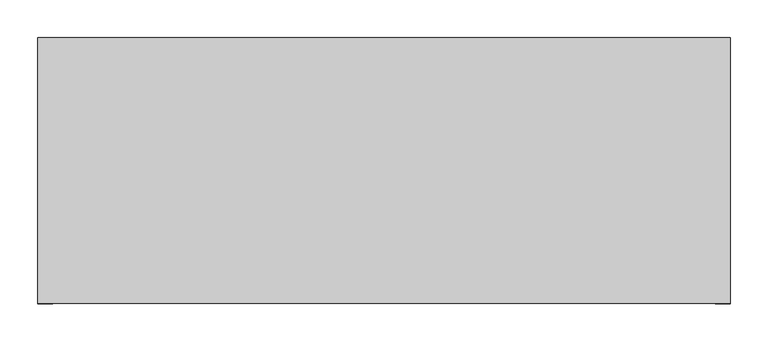
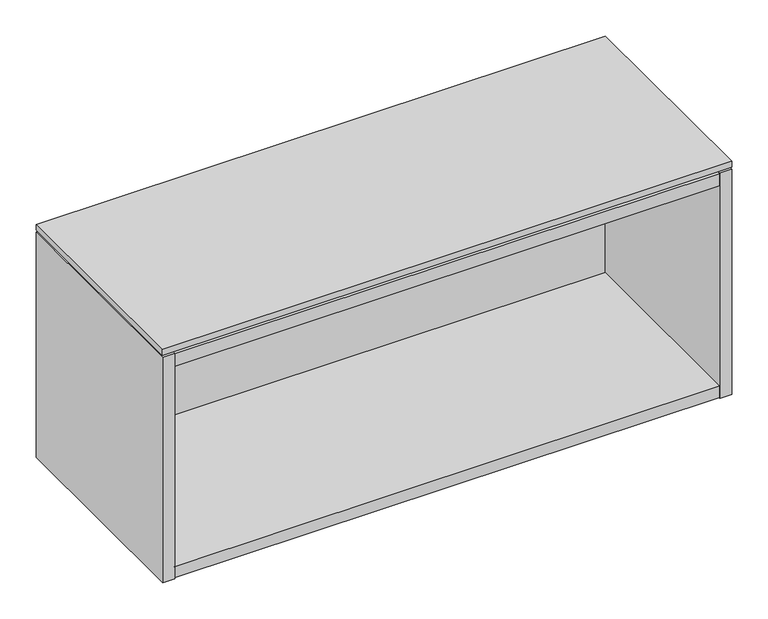
"""IFC4 building model written with IfcOpenShell, lengths in millimetres: furniture geometry."""

import ifcopenshell
import ifcopenshell.guid

model = None  # the IFC model being written
_history = None  # IfcOwnerHistory: only IFC2X3 demands one
_inside = {}  # id of a spatial element -> (the spatial element, [elements in it])
_under = {}  # id of a project, library or spatial element -> (it, [spatial elements below it])
_declared = {}  # id of a project -> (the project, [libraries it declares])
_typed = {}  # id of a type object -> (the type object, [elements of that type])
_made_of = {}  # id of a material, layer set ... -> (it, [elements and type objects made of it])


def new_model(schema):
    """Start an empty IFC model of exactly this schema.

    Asked for "IFC4X3", IfcOpenShell would pick the latest addendum, in which some entities
    have other attributes; the version numbers below select the first issue.
    IFC2X3 requires an IfcOwnerHistory on every rooted entity: one is made here for all.
    """
    global model, _history
    if schema == "IFC4X3":
        model = ifcopenshell.file(schema_version=(4, 3, 0, 0))
    else:
        model = ifcopenshell.file(schema=schema)
    _inside.clear()
    _under.clear()
    _declared.clear()
    _typed.clear()
    _made_of.clear()
    _history = None
    if model.schema == "IFC2X3":
        org = make("IfcOrganization", Name="unknown")
        user = make(
            "IfcPersonAndOrganization",
            ThePerson=make("IfcPerson", FamilyName="unknown"),
            TheOrganization=org,
        )
        app = make(
            "IfcApplication",
            ApplicationDeveloper=org,
            Version="unknown",
            ApplicationFullName="unknown",
            ApplicationIdentifier="unknown",
        )
        _history = make(
            "IfcOwnerHistory",
            OwningUser=user,
            OwningApplication=app,
            ChangeAction="ADDED",
            CreationDate=0,
        )
    return model


def make(cls, **values):
    """One entity of the class cls with the attributes given. An attribute that is None is left unset."""
    return model.create_entity(
        cls, **{name: value for name, value in values.items() if value is not None}
    )


def rooted(cls, **values):
    """An entity with a GlobalId (a new one), such as an element, a storey or a relation."""
    return make(cls, GlobalId=ifcopenshell.guid.new(), OwnerHistory=_history, **values)


def si_unit(unit_type, name, prefix=None):
    """IfcSIUnit, for example si_unit("LENGTHUNIT", "METRE", prefix="MILLI")."""
    return make("IfcSIUnit", UnitType=unit_type, Prefix=prefix, Name=name)


def assignment(units):
    """IfcUnitAssignment: the units of a project."""
    return None if units is None else make("IfcUnitAssignment", Units=units)


def point(xyz):
    """IfcCartesianPoint."""
    return None if xyz is None else make("IfcCartesianPoint", Coordinates=xyz)


def direction(xyz):
    """IfcDirection."""
    return None if xyz is None else make("IfcDirection", DirectionRatios=xyz)


def frame(location, z_axis=None, x_axis=None):
    """IfcAxis2Placement3D, a coordinate frame: its origin and axes. An axis left out is left unset."""
    return make(
        "IfcAxis2Placement3D",
        Location=point(location),
        Axis=direction(z_axis),
        RefDirection=direction(x_axis),
    )


def origin():
    """The frame at (0, 0, 0) with its axes left unset."""
    return frame((0.0, 0.0, 0.0))


def place(relative_to, where):
    """IfcLocalPlacement: puts the frame where relative to a parent placement (None: the world)."""
    return make(
        "IfcLocalPlacement", PlacementRelTo=relative_to, RelativePlacement=where
    )


def context(
    kind, dimensions, precision=None, world=None, true_north=None, identifier=None
):
    """IfcGeometricRepresentationContext, for example the 3D "Model" context."""
    return make(
        "IfcGeometricRepresentationContext",
        ContextIdentifier=identifier,
        ContextType=kind,
        CoordinateSpaceDimension=dimensions,
        Precision=precision,
        WorldCoordinateSystem=world,
        TrueNorth=true_north,
    )


def project(units=None, contexts=None):
    """IfcProject with its units and contexts."""
    return rooted(
        "IfcProject",
        Name="project",
        RepresentationContexts=contexts,
        UnitsInContext=assignment(units),
    )


def spatial(cls, under=None, at=None, **own):
    """A site, building, storey or space (cls), placed at a placement, below another one or the project."""
    s = rooted(cls, ObjectPlacement=at, **own)
    if under is not None:
        _under.setdefault(under.id(), (under, []))[1].append(s)
    return s


def polyline(points):
    """IfcPolyline through the points."""
    return make("IfcPolyline", Points=[point(p) for p in points])


def outline(outer, holes=None, kind="AREA"):
    """IfcArbitraryClosedProfileDef: a profile drawn as a closed curve; with holes, ...WithVoids."""
    if holes is None:
        return make("IfcArbitraryClosedProfileDef", ProfileType=kind, OuterCurve=outer)
    return make(
        "IfcArbitraryProfileDefWithVoids",
        ProfileType=kind,
        OuterCurve=outer,
        InnerCurves=holes,
    )


def extrude(swept, where, along, depth):
    """IfcExtrudedAreaSolid: the profile swept, set in the frame where, extruded along a direction by depth."""
    return make(
        "IfcExtrudedAreaSolid",
        SweptArea=swept,
        Position=where,
        ExtrudedDirection=direction(along),
        Depth=depth,
    )


def faces_of(points, faces, orient=None, outer=None):
    """IfcFace entities. A face is a list of loops; a loop is a list of indices into points, from 0.

    orient and outer hold one flag for each loop. By default every Orientation is true, the
    first loop of a face is its IfcFaceOuterBound and the others are IfcFaceBound.
    """
    made = []
    for i, loops in enumerate(faces):
        bounds = []
        for j, loop in enumerate(loops):
            is_outer = j == 0 if outer is None else outer[i][j]
            bounds.append(
                make(
                    "IfcFaceOuterBound" if is_outer else "IfcFaceBound",
                    Bound=make("IfcPolyLoop", Polygon=[points[k] for k in loop]),
                    Orientation=True if orient is None else orient[i][j],
                )
            )
        made.append(make("IfcFace", Bounds=bounds))
    return made


def faceted_brep(points, faces, orient=None, outer=None, voids=None):
    """IfcFacetedBrep: a solid bounded by flat faces; with voids (closed shells), ...WithVoids."""
    shared = [point(p) for p in points]
    hull = make("IfcClosedShell", CfsFaces=faces_of(shared, faces, orient, outer))
    if voids is None:
        return make("IfcFacetedBrep", Outer=hull)
    return make(
        "IfcFacetedBrepWithVoids",
        Outer=hull,
        Voids=[
            make(cls, CfsFaces=faces_of(shared, fs, o, b)) for cls, fs, o, b in voids
        ],
    )


def shape(context_of_items, identifier, shape_type, items):
    """IfcShapeRepresentation: the items that make up one representation, for example the "Body"."""
    return make(
        "IfcShapeRepresentation",
        ContextOfItems=context_of_items,
        RepresentationIdentifier=identifier,
        RepresentationType=shape_type,
        Items=items,
    )


def source(mapping_origin, context_of_items, identifier, shape_type, items):
    """IfcRepresentationMap: a shape defined once, which mapped items show again and again."""
    return make(
        "IfcRepresentationMap",
        MappingOrigin=mapping_origin,
        MappedRepresentation=shape(context_of_items, identifier, shape_type, items),
    )


def transform(
    local_origin,
    x_axis=None,
    y_axis=None,
    z_axis=None,
    scale=None,
    scale2=None,
    scale3=None,
    uniform=True,
):
    """IfcCartesianTransformationOperator3D, or its non-uniform kind. x_axis, y_axis, z_axis: its Axis1, 2, 3."""
    if uniform:
        return make(
            "IfcCartesianTransformationOperator3D",
            Axis1=direction(x_axis),
            Axis2=direction(y_axis),
            LocalOrigin=point(local_origin),
            Scale=scale,
            Axis3=direction(z_axis),
        )
    return make(
        "IfcCartesianTransformationOperator3DnonUniform",
        Axis1=direction(x_axis),
        Axis2=direction(y_axis),
        LocalOrigin=point(local_origin),
        Scale=scale,
        Axis3=direction(z_axis),
        Scale2=scale2,
        Scale3=scale3,
    )


def mapped(mapping_source, mapping_target):
    """IfcMappedItem: shows the shape of a source again, moved by a transform."""
    return make(
        "IfcMappedItem", MappingSource=mapping_source, MappingTarget=mapping_target
    )


def made_of(thing, what):
    """Note that an element or type object is made of a material, layer set ...; save() writes the relation."""
    if what is not None:
        _made_of.setdefault(what.id(), (what, []))[1].append(thing)
    return thing


def element(
    cls,
    number,
    at=None,
    inside=None,
    cuts=None,
    type_object=None,
    material=None,
    context=None,
    identifier="Body",
    shape_type=None,
    held_by="IfcProductDefinitionShape",
    body=None,
    shapes=None,
    **own,
):
    """One element of the class cls, such as IfcWall. Its Tag is "e" and its number.

    at: its placement. inside: the storey or other place that contains it. cuts: it is an
    opening in that element (IfcRelVoidsElement). A single representation is given by context,
    identifier, shape_type and body (its items); several are given by shapes. held_by: the class
    of the entity that holds the representations. save() writes the other relations.
    """
    e = rooted(cls, Tag="e%d" % number, ObjectPlacement=at, **own)
    if body is not None:
        shapes = [shape(context, identifier, shape_type, body)]
    if shapes is not None:
        e.Representation = make(held_by, Representations=shapes)
    if inside is not None:
        _inside.setdefault(inside.id(), (inside, []))[1].append(e)
    if cuts is not None:
        rooted(
            "IfcRelVoidsElement", RelatingBuildingElement=cuts, RelatedOpeningElement=e
        )
    if type_object is not None:
        _typed.setdefault(type_object.id(), (type_object, []))[1].append(e)
    return made_of(e, material)


def aggregate(whole, parts):
    """IfcRelAggregates: a whole, such as a stair, and the parts it consists of."""
    return rooted("IfcRelAggregates", RelatingObject=whole, RelatedObjects=parts)


def save(model, path):
    """Write the relations noted so far, then the file.

    IfcRelAggregates (storeys below a building ...), IfcRelContainedInSpatialStructure (elements
    in a storey), IfcRelDefinesByType, IfcRelAssociatesMaterial and IfcRelDeclares: one each for
    every whole, place, type object, material and project.
    """
    for whole, parts in _under.values():
        aggregate(whole, parts)
    for where, things in _inside.values():
        rooted(
            "IfcRelContainedInSpatialStructure",
            RelatedElements=things,
            RelatingStructure=where,
        )
    for kind, things in _typed.values():
        rooted("IfcRelDefinesByType", RelatedObjects=things, RelatingType=kind)
    for what, things in _made_of.values():
        rooted("IfcRelAssociatesMaterial", RelatedObjects=things, RelatingMaterial=what)
    for by, libraries in _declared.values():
        rooted("IfcRelDeclares", RelatingContext=by, RelatedDefinitions=libraries)
    model.write(path)


def furniture_854bdff9(model_context):
    return source(origin(), model_context, "Body", "SolidModel", [
        extrude(outline(polyline([(454.2234375, -191.0115724), (-457.2, -191.0115724), (-457.2, 158.8226276), (454.2234375, 158.8226276), (454.2234375, -191.0115724)])), frame((0.0, 0.0, 612.902), z_axis=(0.0, 0.0, 1.0), x_axis=(1.0, 0.0, 0.0)), (0.0, 0.0, 1.0), 9.779),
        extrude(outline(polyline([(-437.896, 145.5282676), (-437.896, 158.8226276), (434.9194375, 158.8226276), (434.9194375, 145.5282676), (-437.896, 145.5282676)])), frame((0.0, 0.0, 511.71475), z_axis=(0.0, 0.0, 1.0), x_axis=(1.0, 0.0, 0.0)), (0.0, 0.0, 1.0), 76.2),
        faceted_brep([(434.9194375, -191.0115724, 248.666), (-437.896, -191.0115724, 248.666), (-437.896, -191.0115724, 229.362), (434.9194375, -191.0115724, 229.362), (-437.896, 145.5282676, 587.91475), (434.9194375, 145.5282676, 587.91475), (434.9194375, 145.5282676, 228.6), (-437.896, 145.5282676, 228.6), (434.9194375, 126.2242676, 248.666), (-437.896, 126.2242676, 248.666), (-437.896, 126.2242676, 229.362), (434.9194375, 126.2242676, 229.362), (-437.896, 158.8226276, 609.6), (-457.2, 158.8226276, 609.6), (-457.2, -191.7735724, 609.6), (-437.896, -191.7735724, 609.6), (434.9194375, -191.7735724, 609.6), (454.2234375, -191.7735724, 609.6), (454.2234375, 158.8226276, 609.6), (434.9194375, 158.8226276, 609.6), (-437.896, -191.7735724, 228.6), (-457.2, -191.7735724, 228.6), (-457.2, 158.8226276, 228.6), (-437.896, 158.8226276, 228.6), (434.9194375, 158.8226276, 228.6), (454.2234375, 158.8226276, 228.6), (454.2234375, -191.7735724, 228.6), (434.9194375, -191.7735724, 228.6), (434.9194375, 126.2242676, 228.6), (-437.896, 126.2242676, 228.6), (-437.896, 158.8226276, 608.838), (434.9194375, 158.8226276, 608.838), (434.9194375, 158.8226276, 587.91475), (-437.896, 158.8226276, 587.91475), (-437.896, 126.2242676, 587.91475), (-437.896, -191.0115724, 587.91475), (-437.896, -191.0115724, 608.838), (434.9194375, -191.0115724, 608.838), (434.9194375, -191.0115724, 587.91475), (434.9194375, 126.2242676, 587.91475)], [[[0, 1, 2, 3]], [[4, 5, 6, 7]], [[1, 0, 8, 9]], [[3, 2, 10, 11]], [[12, 13, 14, 15]], [[16, 17, 18, 19]], [[20, 21, 22, 23, 7, 6, 24, 25, 26, 27, 28, 29]], [[13, 12, 30, 31, 19, 18, 25, 24, 32, 33, 23, 22]], [[14, 13, 22, 21]], [[15, 14, 21, 20]], [[4, 7, 23, 33]], [[12, 15, 20, 29, 10, 2, 1, 9, 34, 35, 36, 30]], [[6, 5, 32, 24]], [[16, 19, 31, 37, 38, 39, 8, 0, 3, 11, 28, 27]], [[17, 16, 27, 26]], [[18, 17, 26, 25]], [[37, 36, 35, 38]], [[36, 37, 31, 30]], [[33, 32, 5, 4]], [[38, 35, 34, 39]], [[9, 8, 39, 34]], [[29, 28, 11, 10]]]),
    ])


if __name__ == "__main__":
    model = new_model("IFC4")
    model_context = context("Model", 3, world=origin())
    ifc_project = project(units=[si_unit("LENGTHUNIT", "METRE", prefix="MILLI")], contexts=[model_context])
    site = spatial("IfcSite", under=ifc_project)
    building = spatial("IfcBuilding", under=site)
    placement = place(None, origin())
    furniture_shape = furniture_854bdff9(model_context)
    element("IfcFurniture", 1, at=placement, inside=building, context=model_context, shape_type="MappedRepresentation", body=[
        mapped(furniture_shape, transform((0.0, 0.0, 0.0), x_axis=(1.0, 0.0, 0.0), y_axis=(0.0, 1.0, 0.0), z_axis=(0.0, 0.0, 1.0))),
    ])
    save(model, "model.ifc")
